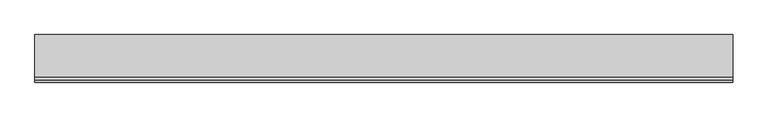
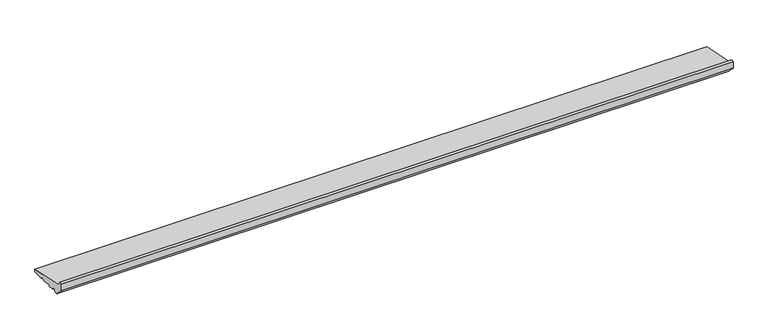
"""IFC4 building model written with IfcOpenShell, lengths in millimetres: proxy geometry."""

from ifc_helpers import new_model, si_unit, point, frame, frame_2d, origin, place, context, project, spatial, polyline, circle_curve, trimmed, segment, composite_curve, outline, extrude, source, transform, mapped, element, save


def generic_models_b3b9d4c8(model_context):
    return source(origin(), model_context, "Body", "SweptSolid", [
        extrude(outline(composite_curve([segment(polyline([(16.9634146, 2.0714803), (16.9634146, 0.0), (-7.0449052, 0.0), (-7.0449052, 4.0148089), (-18.9957985, 4.0148089), (-18.9957985, 0.0), (-38.9970202, 0.0), (-38.9970202, 5.0), (-51.9659993, 5.0), (-51.9659993, 0.0), (-71.9994005, 0.0), (-71.9994005, 7.9636602), (-84.3282852, 7.9636602), (-84.3282852, 0.0), (-98.3331279, 0.0), (-124.2741015, 25.9409736)]), True, "CONTINUOUS"), segment(trimmed(circle_curve(frame_2d((-121.8315077, 28.3835674)), 3.4543493), [point((-124.2741015, 25.9409736))], [point((-125.0, 27.0076366))], False, "CARTESIAN"), True, "CONTINUOUS"), segment(polyline([(-125.0, 27.0076366), (-125.0, 51.2355304)]), True, "CONTINUOUS"), segment(trimmed(circle_curve(frame_2d((-118.9446027, 42.7168184)), 10.4516166), [point((-125.0, 51.2355304))], [point((-116.6949035, 52.9234409))], False, "CARTESIAN"), True, "CONTINUOUS"), segment(polyline([(-116.6949035, 52.9234409), (-108.4970481, 38.6463845), (35.0, 9.1871592), (35.0, 0.0), (27.0536769, 0.0), (27.0536769, 0.9956448), (16.9634146, 2.0714803)]), True, "CONTINUOUS")], self_intersect=False)), frame((0.0, 0.0, 0.0), z_axis=(1.0, 0.0, 0.0), x_axis=(0.0, 1.0, 0.0)), (0.0, 0.0, 1.0), 2345.0),
    ])


if __name__ == "__main__":
    model = new_model("IFC4")
    model_context = context("Model", 3, world=origin())
    ifc_project = project(units=[si_unit("LENGTHUNIT", "METRE", prefix="MILLI")], contexts=[model_context])
    site = spatial("IfcSite", under=ifc_project)
    building = spatial("IfcBuilding", under=site)
    placement = place(None, origin())
    generic_models_shape = generic_models_b3b9d4c8(model_context)
    element("IfcBuildingElementProxy", 1, Name="Generic Models", at=placement, inside=building, context=model_context, shape_type="MappedRepresentation", body=[
        mapped(generic_models_shape, transform((0.0, 0.0, 0.0), x_axis=(1.0, 0.0, 0.0), y_axis=(0.0, 1.0, 0.0), z_axis=(0.0, 0.0, 1.0))),
    ])
    save(model, "model.ifc")
